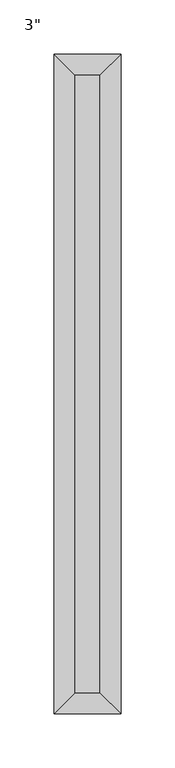
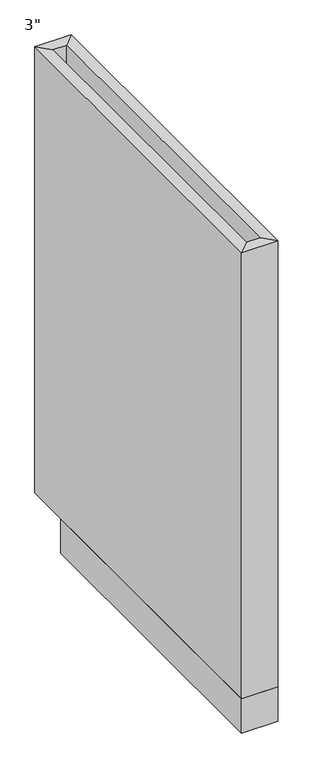
"""IFC4 building model written with IfcOpenShell, lengths in millimetres: furniture geometry."""

from ifc_helpers import new_model, si_unit, frame, origin, origin_with_axes, place, context, project, spatial, polyline, outline, extrude, faceted_brep, source, transform, mapped, element, save


def furniture_34e2247d(model_context):
    return source(origin(), model_context, "Body", "SolidModel", [
        extrude(outline(polyline([(30.6439549, 19.05), (6.8314549, 19.05), (6.8314549, 590.55), (30.6439549, 590.55), (30.6439549, 19.05)])), frame((0.0, 0.0, 61.9125), z_axis=(0.0, 0.0, 1.0), x_axis=(1.0, 0.0, 0.0)), (0.0, 0.0, 1.0), 19.05),
        faceted_brep([(30.6439549, 590.55, 863.6), (6.8314549, 590.55, 863.6), (6.8314549, 590.55, 61.9125), (30.6439549, 590.55, 61.9125), (49.6939549, 609.6, 863.6), (-12.2185451, 609.6, 863.6), (49.6939549, 609.6, 61.9125), (-12.2185451, 609.6, 61.9125), (6.8314549, 19.05, 863.6), (6.8314549, 19.05, 61.9125), (-12.2185451, 0.0, 863.6), (-12.2185451, 0.0, 61.9125), (30.6439549, 19.05, 863.6), (30.6439549, 19.05, 61.9125), (49.6939549, 0.0, 863.6), (49.6939549, 0.0, 61.9125)], [[[0, 1, 2, 3]], [[4, 5, 1, 0]], [[6, 7, 5, 4]], [[3, 2, 7, 6]], [[1, 8, 9, 2]], [[5, 10, 8, 1]], [[7, 11, 10, 5]], [[2, 9, 11, 7]], [[8, 12, 13, 9]], [[10, 14, 12, 8]], [[11, 15, 14, 10]], [[9, 13, 15, 11]], [[12, 0, 3, 13]], [[14, 4, 0, 12]], [[15, 6, 4, 14]], [[13, 3, 6, 15]]]),
        extrude(outline(polyline([(49.6939549, 0.0), (-12.2185451, 0.0), (-12.2185451, 533.4), (49.6939549, 533.4), (49.6939549, 0.0)])), origin_with_axes(), (0.0, 0.0, 1.0), 61.9125),
    ])


if __name__ == "__main__":
    model = new_model("IFC4")
    model_context = context("Model", 3, world=origin())
    ifc_project = project(units=[si_unit("LENGTHUNIT", "METRE", prefix="MILLI")], contexts=[model_context])
    site = spatial("IfcSite", under=ifc_project)
    building = spatial("IfcBuilding", under=site)
    placement = place(None, origin())
    furniture_shape = furniture_34e2247d(model_context)
    element("IfcFurniture", 1, ObjectType="3\"", at=placement, inside=building, context=model_context, shape_type="MappedRepresentation", body=[
        mapped(furniture_shape, transform((0.0, 0.0, 0.0), x_axis=(1.0, 0.0, 0.0), y_axis=(0.0, 1.0, 0.0), z_axis=(0.0, 0.0, 1.0))),
    ])
    save(model, "model.ifc")
